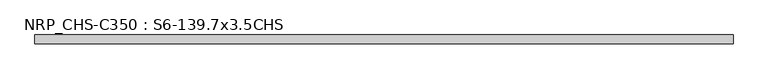
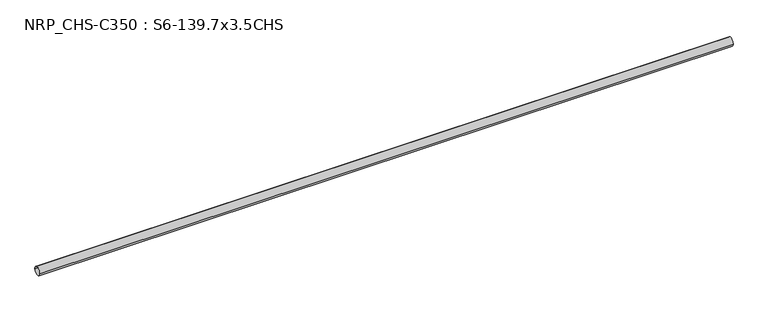
"""IFC4 building model written with IfcOpenShell, lengths in millimetres: beam geometry, NRP_CHS-C350 : S6-139.7x3.5CHS."""

from ifc_helpers import new_model, si_unit, point, frame, origin, origin_2d, place, context, project, spatial, circle_curve, trimmed, segment, composite_curve, outline, extrude, source, transform, mapped, element, save


def nrp_chs_c350_s6_139_7x3_5chs_cdc9670c(model_context):
    return source(origin(), model_context, "Body", "SweptSolid", [
        extrude(outline(composite_curve([segment(trimmed(circle_curve(origin_2d(), 69.85), [point((69.85, 0.0))], [point((-69.85, 0.0))], False, "CARTESIAN"), True, "CONTINUOUS"), segment(trimmed(circle_curve(origin_2d(), 69.85), [point((-69.85, 0.0))], [point((69.85, 0.0))], False, "CARTESIAN"), True, "CONTINUOUS")], self_intersect=False), holes=[composite_curve([segment(trimmed(circle_curve(origin_2d(), 66.35), [point((-66.35, 0.0))], [point((66.35, 0.0))], True, "CARTESIAN"), True, "CONTINUOUS"), segment(trimmed(circle_curve(origin_2d(), 66.35), [point((66.35, 0.0))], [point((-66.35, 0.0))], True, "CARTESIAN"), True, "CONTINUOUS")], self_intersect=False)]), frame((-5682.0, 0.0, 0.0), z_axis=(1.0, 0.0, 0.0), x_axis=(0.0, 1.0, 0.0)), (0.0, 0.0, 1.0), 11111.4),
    ])


if __name__ == "__main__":
    model = new_model("IFC4")
    model_context = context("Model", 3, world=origin())
    ifc_project = project(units=[si_unit("LENGTHUNIT", "METRE", prefix="MILLI")], contexts=[model_context])
    site = spatial("IfcSite", under=ifc_project)
    building = spatial("IfcBuilding", under=site)
    placement = place(None, origin())
    nrp_chs_c350_s6_139_7x3_5chs_shape = nrp_chs_c350_s6_139_7x3_5chs_cdc9670c(model_context)
    element("IfcBeam", 1, ObjectType="NRP_CHS-C350 : S6-139.7x3.5CHS", at=placement, inside=building, context=model_context, shape_type="MappedRepresentation", body=[
        mapped(nrp_chs_c350_s6_139_7x3_5chs_shape, transform((0.0, 0.0, 0.0), x_axis=(1.0, 0.0, 0.0), y_axis=(0.0, 1.0, 0.0), z_axis=(0.0, 0.0, 1.0))),
    ])
    save(model, "model.ifc")
